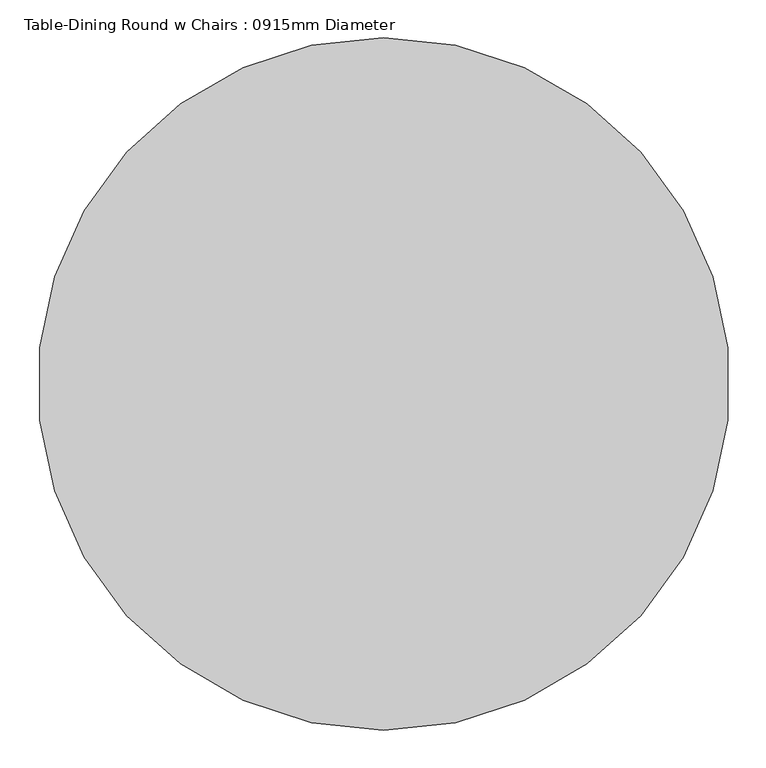
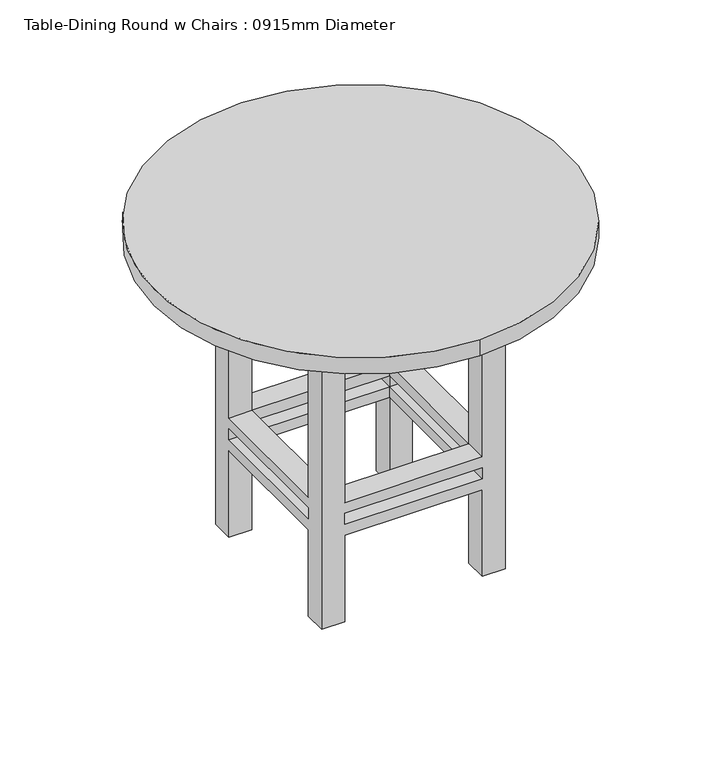
"""IFC4 building model written with IfcOpenShell, lengths in millimetres: furniture geometry, Table-Dining Round w Chairs : 0915mm Diameter."""

from ifc_helpers import new_model, si_unit, point, frame, frame_2d, origin, place, context, project, spatial, polyline, circle_curve, trimmed, segment, composite_curve, outline, extrude, faceted_brep, source, transform, mapped, element, save


def table_dining_round_w_chairs_0915mm_diameter_5defa876(model_context):
    return source(origin(), model_context, "Body", "SolidModel", [
        faceted_brep([(-48.8680328, 18.4713115, 647.7), (-99.6680328, 18.4713115, 647.7), (-99.6680328, -32.3286885, 647.7), (-48.8680328, -32.3286885, 647.7), (256.2319672, 18.4713115, 647.7), (256.2319672, -32.3286885, 647.7), (307.0319672, -32.3286885, 647.7), (307.0319672, 18.4713115, 647.7), (256.2319672, -388.2286885, 647.7), (307.0319672, -388.2286885, 647.7), (307.0319672, -337.4286885, 647.7), (256.2319672, -337.4286885, 647.7), (-48.8680328, -388.2286885, 647.7), (-48.8680328, -337.4286885, 647.7), (-99.6680328, -337.4286885, 647.7), (-99.6680328, -388.2286885, 647.7), (-48.8680328, 18.4713115, 0.0), (-48.8680328, -32.3286885, 0.0), (-99.6680328, -32.3286885, 0.0), (-99.6680328, 18.4713115, 0.0), (256.2319672, 18.4713115, 0.0), (307.0319672, 18.4713115, 0.0), (307.0319672, -32.3286885, 0.0), (256.2319672, -32.3286885, 0.0), (256.2319672, -388.2286885, 0.0), (256.2319672, -337.4286885, 0.0), (307.0319672, -337.4286885, 0.0), (307.0319672, -388.2286885, 0.0), (-48.8680328, -388.2286885, 0.0), (-99.6680328, -388.2286885, 0.0), (-99.6680328, -337.4286885, 0.0), (-48.8680328, -337.4286885, 0.0), (-48.8680328, 18.4713115, 279.4), (256.2319672, 18.4713115, 279.4), (256.2319672, 18.4713115, 203.2), (-48.8680328, 18.4713115, 203.2), (256.2319672, 18.4713115, 228.6), (256.2319672, 18.4713115, 254.0), (-48.8680328, 18.4713115, 254.0), (-48.8680328, 18.4713115, 228.6), (-99.6680328, -32.3286885, 203.2), (-99.6680328, -337.4286885, 203.2), (-99.6680328, -337.4286885, 279.4), (-99.6680328, -32.3286885, 279.4), (-99.6680328, -32.3286885, 228.6), (-99.6680328, -32.3286885, 254.0), (-99.6680328, -337.4286885, 254.0), (-99.6680328, -337.4286885, 228.6), (-48.8680328, -32.3286885, 279.4), (-48.8680328, -32.3286885, 203.2), (-48.8680328, -32.3286885, 228.6), (-48.8680328, -32.3286885, 254.0), (256.2319672, -32.3286885, 279.4), (256.2319672, -32.3286885, 203.2), (256.2319672, -32.3286885, 228.6), (256.2319672, -32.3286885, 254.0), (307.0319672, -32.3286885, 279.4), (307.0319672, -32.3286885, 203.2), (307.0319672, -32.3286885, 228.6), (307.0319672, -32.3286885, 254.0), (307.0319672, -337.4286885, 279.4), (307.0319672, -337.4286885, 203.2), (307.0319672, -337.4286885, 228.6), (307.0319672, -337.4286885, 254.0), (256.2319672, -388.2286885, 279.4), (-48.8680328, -388.2286885, 279.4), (-48.8680328, -388.2286885, 203.2), (256.2319672, -388.2286885, 203.2), (-48.8680328, -388.2286885, 228.6), (-48.8680328, -388.2286885, 254.0), (256.2319672, -388.2286885, 254.0), (256.2319672, -388.2286885, 228.6), (256.2319672, -337.4286885, 279.4), (256.2319672, -337.4286885, 203.2), (256.2319672, -337.4286885, 228.6), (256.2319672, -337.4286885, 254.0), (-48.8680328, -337.4286885, 279.4), (-48.8680328, -337.4286885, 203.2), (-48.8680328, -337.4286885, 228.6), (-48.8680328, -337.4286885, 254.0)], [[[0, 1, 2, 3]], [[4, 5, 6, 7]], [[8, 9, 10, 11]], [[12, 13, 14, 15]], [[16, 17, 18, 19]], [[20, 21, 22, 23]], [[24, 25, 26, 27]], [[28, 29, 30, 31]], [[1, 0, 32, 33, 4, 7, 21, 20, 34, 35, 16, 19], [36, 37, 38, 39]], [[2, 1, 19, 18, 40, 41, 30, 29, 15, 14, 42, 43], [44, 45, 46, 47]], [[3, 2, 43, 48]], [[18, 17, 49, 40]], [[44, 50, 51, 45]], [[0, 3, 48, 32]], [[17, 16, 35, 49]], [[50, 39, 38, 51]], [[5, 4, 33, 52]], [[20, 23, 53, 34]], [[36, 54, 55, 37]], [[6, 5, 52, 56]], [[23, 22, 57, 53]], [[54, 58, 59, 55]], [[21, 7, 6, 56, 60, 10, 9, 27, 26, 61, 57, 22], [62, 63, 59, 58]], [[27, 9, 8, 64, 65, 12, 15, 29, 28, 66, 67, 24], [68, 69, 70, 71]], [[11, 10, 60, 72]], [[26, 25, 73, 61]], [[62, 74, 75, 63]], [[8, 11, 72, 64]], [[25, 24, 67, 73]], [[74, 71, 70, 75]], [[13, 12, 65, 76]], [[28, 31, 77, 66]], [[68, 78, 79, 69]], [[14, 13, 76, 42]], [[31, 30, 41, 77]], [[78, 47, 46, 79]], [[54, 74, 62, 58]], [[74, 78, 68, 71]], [[78, 50, 44, 47]], [[50, 54, 36, 39]], [[53, 49, 35, 34]], [[49, 77, 41, 40]], [[77, 73, 67, 66]], [[73, 53, 57, 61]], [[74, 54, 53, 73]], [[78, 74, 73, 77]], [[50, 78, 77, 49]], [[54, 50, 49, 53]], [[52, 72, 60, 56]], [[72, 76, 65, 64]], [[76, 48, 43, 42]], [[48, 52, 33, 32]], [[55, 51, 38, 37]], [[51, 79, 46, 45]], [[79, 75, 70, 69]], [[75, 55, 59, 63]], [[72, 52, 55, 75]], [[76, 72, 75, 79]], [[48, 76, 79, 51]], [[52, 48, 51, 55]]]),
        extrude(outline(polyline([(332.4319672, 43.8713115), (332.4319672, -413.6286885), (-125.0680328, -413.6286885), (-125.0680328, 43.8713115), (332.4319672, 43.8713115)]), holes=[polyline([(307.0319672, 18.4713115), (-99.6680328, 18.4713115), (-99.6680328, -388.2286885), (307.0319672, -388.2286885), (307.0319672, 18.4713115)])]), frame((0.0, 0.0, 647.7), z_axis=(0.0, 0.0, 1.0), x_axis=(1.0, 0.0, 0.0)), (0.0, 0.0, 1.0), 76.2),
        extrude(outline(composite_curve([segment(trimmed(circle_curve(frame_2d((103.6819672, -184.8786885)), 457.5), [point((103.6819672, -642.3786885))], [point((103.6819672, 272.6213115))], False, "CARTESIAN"), True, "CONTINUOUS"), segment(trimmed(circle_curve(frame_2d((103.6819672, -184.8786885)), 457.5), [point((103.6819672, 272.6213115))], [point((103.6819672, -642.3786885))], False, "CARTESIAN"), True, "CONTINUOUS")], self_intersect=False)), frame((0.0, 0.0, 723.9), z_axis=(0.0, 0.0, 1.0), x_axis=(1.0, 0.0, 0.0)), (0.0, 0.0, 1.0), 38.1),
    ])


if __name__ == "__main__":
    model = new_model("IFC4")
    model_context = context("Model", 3, world=origin())
    ifc_project = project(units=[si_unit("LENGTHUNIT", "METRE", prefix="MILLI")], contexts=[model_context])
    site = spatial("IfcSite", under=ifc_project)
    building = spatial("IfcBuilding", under=site)
    placement = place(None, origin())
    table_dining_round_w_chairs_0915mm_diameter_shape = table_dining_round_w_chairs_0915mm_diameter_5defa876(model_context)
    element("IfcFurniture", 1, ObjectType="Table-Dining Round w Chairs : 0915mm Diameter", at=placement, inside=building, context=model_context, shape_type="MappedRepresentation", body=[
        mapped(table_dining_round_w_chairs_0915mm_diameter_shape, transform((0.0, 0.0, 0.0), x_axis=(1.0, 0.0, 0.0), y_axis=(0.0, 1.0, 0.0), z_axis=(0.0, 0.0, 1.0))),
    ])
    save(model, "model.ifc")
